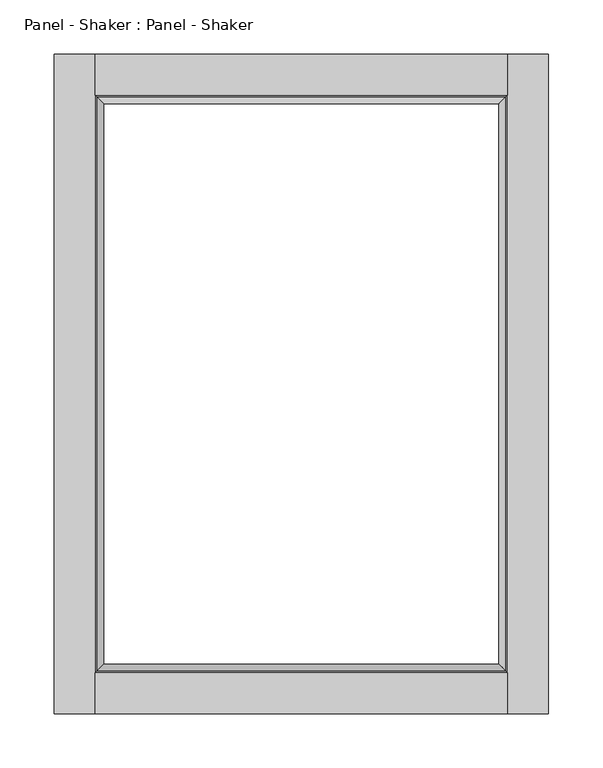
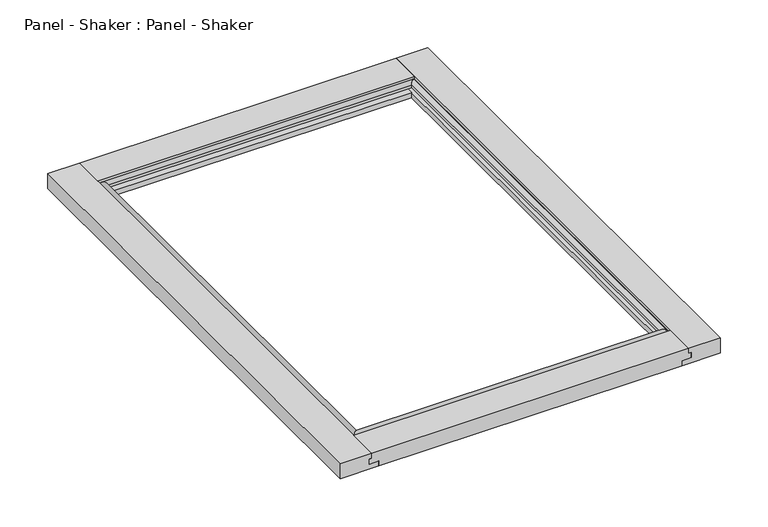
"""IFC4 building model written with IfcOpenShell, lengths in millimetres: furniture geometry, Panel - Shaker : Panel - Shaker."""

import ifcopenshell
import ifcopenshell.guid

model = None  # the IFC model being written
_history = None  # IfcOwnerHistory: only IFC2X3 demands one
_inside = {}  # id of a spatial element -> (the spatial element, [elements in it])
_under = {}  # id of a project, library or spatial element -> (it, [spatial elements below it])
_declared = {}  # id of a project -> (the project, [libraries it declares])
_typed = {}  # id of a type object -> (the type object, [elements of that type])
_made_of = {}  # id of a material, layer set ... -> (it, [elements and type objects made of it])


def new_model(schema):
    """Start an empty IFC model of exactly this schema.

    Asked for "IFC4X3", IfcOpenShell would pick the latest addendum, in which some entities
    have other attributes; the version numbers below select the first issue.
    IFC2X3 requires an IfcOwnerHistory on every rooted entity: one is made here for all.
    """
    global model, _history
    if schema == "IFC4X3":
        model = ifcopenshell.file(schema_version=(4, 3, 0, 0))
    else:
        model = ifcopenshell.file(schema=schema)
    _inside.clear()
    _under.clear()
    _declared.clear()
    _typed.clear()
    _made_of.clear()
    _history = None
    if model.schema == "IFC2X3":
        org = make("IfcOrganization", Name="unknown")
        user = make(
            "IfcPersonAndOrganization",
            ThePerson=make("IfcPerson", FamilyName="unknown"),
            TheOrganization=org,
        )
        app = make(
            "IfcApplication",
            ApplicationDeveloper=org,
            Version="unknown",
            ApplicationFullName="unknown",
            ApplicationIdentifier="unknown",
        )
        _history = make(
            "IfcOwnerHistory",
            OwningUser=user,
            OwningApplication=app,
            ChangeAction="ADDED",
            CreationDate=0,
        )
    return model


def make(cls, **values):
    """One entity of the class cls with the attributes given. An attribute that is None is left unset."""
    return model.create_entity(
        cls, **{name: value for name, value in values.items() if value is not None}
    )


def rooted(cls, **values):
    """An entity with a GlobalId (a new one), such as an element, a storey or a relation."""
    return make(cls, GlobalId=ifcopenshell.guid.new(), OwnerHistory=_history, **values)


def si_unit(unit_type, name, prefix=None):
    """IfcSIUnit, for example si_unit("LENGTHUNIT", "METRE", prefix="MILLI")."""
    return make("IfcSIUnit", UnitType=unit_type, Prefix=prefix, Name=name)


def assignment(units):
    """IfcUnitAssignment: the units of a project."""
    return None if units is None else make("IfcUnitAssignment", Units=units)


def point(xyz):
    """IfcCartesianPoint."""
    return None if xyz is None else make("IfcCartesianPoint", Coordinates=xyz)


def direction(xyz):
    """IfcDirection."""
    return None if xyz is None else make("IfcDirection", DirectionRatios=xyz)


def frame(location, z_axis=None, x_axis=None):
    """IfcAxis2Placement3D, a coordinate frame: its origin and axes. An axis left out is left unset."""
    return make(
        "IfcAxis2Placement3D",
        Location=point(location),
        Axis=direction(z_axis),
        RefDirection=direction(x_axis),
    )


def origin():
    """The frame at (0, 0, 0) with its axes left unset."""
    return frame((0.0, 0.0, 0.0))


def place(relative_to, where):
    """IfcLocalPlacement: puts the frame where relative to a parent placement (None: the world)."""
    return make(
        "IfcLocalPlacement", PlacementRelTo=relative_to, RelativePlacement=where
    )


def context(
    kind, dimensions, precision=None, world=None, true_north=None, identifier=None
):
    """IfcGeometricRepresentationContext, for example the 3D "Model" context."""
    return make(
        "IfcGeometricRepresentationContext",
        ContextIdentifier=identifier,
        ContextType=kind,
        CoordinateSpaceDimension=dimensions,
        Precision=precision,
        WorldCoordinateSystem=world,
        TrueNorth=true_north,
    )


def project(units=None, contexts=None):
    """IfcProject with its units and contexts."""
    return rooted(
        "IfcProject",
        Name="project",
        RepresentationContexts=contexts,
        UnitsInContext=assignment(units),
    )


def spatial(cls, under=None, at=None, **own):
    """A site, building, storey or space (cls), placed at a placement, below another one or the project."""
    s = rooted(cls, ObjectPlacement=at, **own)
    if under is not None:
        _under.setdefault(under.id(), (under, []))[1].append(s)
    return s


def polyline(points):
    """IfcPolyline through the points."""
    return make("IfcPolyline", Points=[point(p) for p in points])


def ellipse_curve(where, semi_axis1, semi_axis2):
    """IfcEllipse in the frame where."""
    return make(
        "IfcEllipse", Position=where, SemiAxis1=semi_axis1, SemiAxis2=semi_axis2
    )


def outline(outer, holes=None, kind="AREA"):
    """IfcArbitraryClosedProfileDef: a profile drawn as a closed curve; with holes, ...WithVoids."""
    if holes is None:
        return make("IfcArbitraryClosedProfileDef", ProfileType=kind, OuterCurve=outer)
    return make(
        "IfcArbitraryProfileDefWithVoids",
        ProfileType=kind,
        OuterCurve=outer,
        InnerCurves=holes,
    )


def extrude(swept, where, along, depth):
    """IfcExtrudedAreaSolid: the profile swept, set in the frame where, extruded along a direction by depth."""
    return make(
        "IfcExtrudedAreaSolid",
        SweptArea=swept,
        Position=where,
        ExtrudedDirection=direction(along),
        Depth=depth,
    )


def faces_of(points, faces, orient=None, outer=None):
    """IfcFace entities. A face is a list of loops; a loop is a list of indices into points, from 0.

    orient and outer hold one flag for each loop. By default every Orientation is true, the
    first loop of a face is its IfcFaceOuterBound and the others are IfcFaceBound.
    """
    made = []
    for i, loops in enumerate(faces):
        bounds = []
        for j, loop in enumerate(loops):
            is_outer = j == 0 if outer is None else outer[i][j]
            bounds.append(
                make(
                    "IfcFaceOuterBound" if is_outer else "IfcFaceBound",
                    Bound=make("IfcPolyLoop", Polygon=[points[k] for k in loop]),
                    Orientation=True if orient is None else orient[i][j],
                )
            )
        made.append(make("IfcFace", Bounds=bounds))
    return made


def faceted_brep(points, faces, orient=None, outer=None, voids=None):
    """IfcFacetedBrep: a solid bounded by flat faces; with voids (closed shells), ...WithVoids."""
    shared = [point(p) for p in points]
    hull = make("IfcClosedShell", CfsFaces=faces_of(shared, faces, orient, outer))
    if voids is None:
        return make("IfcFacetedBrep", Outer=hull)
    return make(
        "IfcFacetedBrepWithVoids",
        Outer=hull,
        Voids=[
            make(cls, CfsFaces=faces_of(shared, fs, o, b)) for cls, fs, o, b in voids
        ],
    )


def shape(context_of_items, identifier, shape_type, items):
    """IfcShapeRepresentation: the items that make up one representation, for example the "Body"."""
    return make(
        "IfcShapeRepresentation",
        ContextOfItems=context_of_items,
        RepresentationIdentifier=identifier,
        RepresentationType=shape_type,
        Items=items,
    )


def source(mapping_origin, context_of_items, identifier, shape_type, items):
    """IfcRepresentationMap: a shape defined once, which mapped items show again and again."""
    return make(
        "IfcRepresentationMap",
        MappingOrigin=mapping_origin,
        MappedRepresentation=shape(context_of_items, identifier, shape_type, items),
    )


def transform(
    local_origin,
    x_axis=None,
    y_axis=None,
    z_axis=None,
    scale=None,
    scale2=None,
    scale3=None,
    uniform=True,
):
    """IfcCartesianTransformationOperator3D, or its non-uniform kind. x_axis, y_axis, z_axis: its Axis1, 2, 3."""
    if uniform:
        return make(
            "IfcCartesianTransformationOperator3D",
            Axis1=direction(x_axis),
            Axis2=direction(y_axis),
            LocalOrigin=point(local_origin),
            Scale=scale,
            Axis3=direction(z_axis),
        )
    return make(
        "IfcCartesianTransformationOperator3DnonUniform",
        Axis1=direction(x_axis),
        Axis2=direction(y_axis),
        LocalOrigin=point(local_origin),
        Scale=scale,
        Axis3=direction(z_axis),
        Scale2=scale2,
        Scale3=scale3,
    )


def mapped(mapping_source, mapping_target):
    """IfcMappedItem: shows the shape of a source again, moved by a transform."""
    return make(
        "IfcMappedItem", MappingSource=mapping_source, MappingTarget=mapping_target
    )


def made_of(thing, what):
    """Note that an element or type object is made of a material, layer set ...; save() writes the relation."""
    if what is not None:
        _made_of.setdefault(what.id(), (what, []))[1].append(thing)
    return thing


def element(
    cls,
    number,
    at=None,
    inside=None,
    cuts=None,
    type_object=None,
    material=None,
    context=None,
    identifier="Body",
    shape_type=None,
    held_by="IfcProductDefinitionShape",
    body=None,
    shapes=None,
    **own,
):
    """One element of the class cls, such as IfcWall. Its Tag is "e" and its number.

    at: its placement. inside: the storey or other place that contains it. cuts: it is an
    opening in that element (IfcRelVoidsElement). A single representation is given by context,
    identifier, shape_type and body (its items); several are given by shapes. held_by: the class
    of the entity that holds the representations. save() writes the other relations.
    """
    e = rooted(cls, Tag="e%d" % number, ObjectPlacement=at, **own)
    if body is not None:
        shapes = [shape(context, identifier, shape_type, body)]
    if shapes is not None:
        e.Representation = make(held_by, Representations=shapes)
    if inside is not None:
        _inside.setdefault(inside.id(), (inside, []))[1].append(e)
    if cuts is not None:
        rooted(
            "IfcRelVoidsElement", RelatingBuildingElement=cuts, RelatedOpeningElement=e
        )
    if type_object is not None:
        _typed.setdefault(type_object.id(), (type_object, []))[1].append(e)
    return made_of(e, material)


def aggregate(whole, parts):
    """IfcRelAggregates: a whole, such as a stair, and the parts it consists of."""
    return rooted("IfcRelAggregates", RelatingObject=whole, RelatedObjects=parts)


def save(model, path):
    """Write the relations noted so far, then the file.

    IfcRelAggregates (storeys below a building ...), IfcRelContainedInSpatialStructure (elements
    in a storey), IfcRelDefinesByType, IfcRelAssociatesMaterial and IfcRelDeclares: one each for
    every whole, place, type object, material and project.
    """
    for whole, parts in _under.values():
        aggregate(whole, parts)
    for where, things in _inside.values():
        rooted(
            "IfcRelContainedInSpatialStructure",
            RelatedElements=things,
            RelatingStructure=where,
        )
    for kind, things in _typed.values():
        rooted("IfcRelDefinesByType", RelatedObjects=things, RelatingType=kind)
    for what, things in _made_of.values():
        rooted("IfcRelAssociatesMaterial", RelatedObjects=things, RelatingMaterial=what)
    for by, libraries in _declared.values():
        rooted("IfcRelDeclares", RelatingContext=by, RelatedDefinitions=libraries)
    model.write(path)


def plane_surface(at):
    """IfcPlane: the flat surface through the origin of the frame at, square to its z axis."""
    return make("IfcPlane", Position=at)


def cylinder_surface(at, radius):
    """IfcCylindricalSurface: all points at the distance radius from the z axis of the frame at."""
    return make("IfcCylindricalSurface", Position=at, Radius=radius)


def advanced_brep(points, edges, surfaces, faces):
    """IfcAdvancedBrep: a solid bounded by faces that lie on surfaces and meet in shared edges.

    An edge is (start, end): straight between two places in points (the first is 0);
    or (start, end, curve); or (start, end, curve, False) where it runs against its curve.
    A face is (place in surfaces, loops), or (place, loops, False) where it looks against
    its surface's normal. A loop lists edges by number (the first is 1), with a minus sign
    where the edge is run from its end to its start. The first loop is the outer one.
    """
    corners = [point(p) for p in points]
    vertices = [make("IfcVertexPoint", VertexGeometry=c) for c in corners]
    made = []
    for start, end, *more in edges:
        made.append(
            make(
                "IfcEdgeCurve",
                EdgeStart=vertices[start],
                EdgeEnd=vertices[end],
                EdgeGeometry=more[0] if more else make("IfcPolyline", Points=[corners[start], corners[end]]),
                SameSense=more[1] if len(more) > 1 else True,
            )
        )
    hull = []
    for where, loops, *sense in faces:
        bounds = []
        for j, loop in enumerate(loops):
            ring = [make("IfcOrientedEdge", EdgeElement=made[abs(k) - 1], Orientation=k > 0) for k in loop]
            bounds.append(
                make(
                    "IfcFaceOuterBound" if j == 0 else "IfcFaceBound",
                    Bound=make("IfcEdgeLoop", EdgeList=ring),
                    Orientation=True,
                )
            )
        hull.append(make("IfcAdvancedFace", Bounds=bounds, FaceSurface=surfaces[where], SameSense=sense[0] if sense else True))
    return make("IfcAdvancedBrep", Outer=make("IfcClosedShell", CfsFaces=hull))


def panel_shaker_panel_shaker_10c5d4a5(model_context):
    return source(origin(), model_context, "Body", "SolidModel", [
        advanced_brep(
        [(-182.5625, -258.7625, 15.875), (182.5625, -258.7625, 15.875), (182.5625, -258.7625, 12.7), (-182.5625, -258.7625, 12.7), (190.5, -266.7, 12.7), (-190.5, -266.7, 12.7), (190.5, -266.7, 15.875), (-190.5, -266.7, 15.875), (188.9125, -265.1125, 15.875), (-188.9125, -265.1125, 15.875), (-185.7375, -261.9375, 19.05), (185.7375, -261.9375, 19.05)],
        [
            (0, 1),
            (1, 2),
            (2, 3),
            (3, 0),
            (4, 5),
            (5, 3),
            (2, 4),
            (4, 6),
            (6, 7),
            (7, 5),
            (6, 8),
            (8, 9),
            (9, 7),
            (0, 10, ellipse_curve(frame((-185.7375, -261.9375, 15.875), z_axis=(0.7071067811865438, -0.7071067811865513, 0.0), x_axis=(-0.7071067811865512, -0.7071067811865438, 0.0)), 4.4901281, 3.175)),
            (10, 9, ellipse_curve(frame((-185.7375, -261.9375, 15.875), z_axis=(0.7071067811865438, -0.7071067811865513, 0.0), x_axis=(-0.7071067811865512, -0.7071067811865438, 0.0)), 4.4901281, 3.175)),
            (8, 11, ellipse_curve(frame((185.7375, -261.9375, 15.875), z_axis=(-0.7071067811865517, -0.7071067811865435, 0.0), x_axis=(-0.7071067811865432, 0.7071067811865518, 0.0)), 4.4901281, 3.175)),
            (11, 1, ellipse_curve(frame((185.7375, -261.9375, 15.875), z_axis=(-0.7071067811865517, -0.7071067811865435, 0.0), x_axis=(-0.7071067811865432, 0.7071067811865518, 0.0)), 4.4901281, 3.175)),
        ],
        [
            plane_surface(frame((-190.5, -258.7625, 15.875), z_axis=(0.0, 1.0, 0.0), x_axis=(1.0, 0.0, 0.0))),
            plane_surface(frame((-190.5, -258.7625, 12.7), z_axis=(0.0, 0.0, -1.0), x_axis=(1.0, 0.0, 0.0))),
            plane_surface(frame((-190.5, -266.7, 12.7), z_axis=(0.0, -1.0, 0.0), x_axis=(1.0, 0.0, 0.0))),
            plane_surface(frame((-190.5, -266.7, 15.875), z_axis=(0.0, 0.0, 1.0), x_axis=(1.0, 0.0, 0.0))),
            cylinder_surface(frame((190.5, -261.9375, 15.875), z_axis=(-1.0, 0.0, 0.0), x_axis=(0.0, -1.0, 0.0)), 3.175),
            plane_surface(frame((182.5625, -258.7625, 19.05), z_axis=(0.7071067811865517, 0.7071067811865435, 0.0), x_axis=(0.0, 0.0, -1.0))),
            plane_surface(frame((-190.5, -266.7, 19.05), z_axis=(-0.7071067811865438, 0.7071067811865513, 0.0), x_axis=(0.0, 0.0, -1.0))),
        ],
        [
            (0, [[1, 2, 3, 4]]),
            (1, [[5, 6, -3, 7]]),
            (2, [[-5, 8, 9, 10]]),
            (3, [[-9, 11, 12, 13]]),
            (4, [[-1, 14, 15, -12, 16, 17]]),
            (5, [[-2, -17, -16, -11, -8, -7]]),
            (6, [[-4, -6, -10, -13, -15, -14]]),
        ],
    ),
        advanced_brep(
        [(-182.5625, 258.7625, 15.875), (-182.5625, -258.7625, 15.875), (-182.5625, -258.7625, 12.7), (-182.5625, 258.7625, 12.7), (-190.5, -266.7, 12.7), (-190.5, 266.7, 12.7), (-190.5, -266.7, 15.875), (-190.5, 266.7, 15.875), (-188.9125, -265.1125, 15.875), (-188.9125, 265.1125, 15.875), (-185.7375, 261.9375, 19.05), (-185.7375, -261.9375, 19.05)],
        [
            (0, 1),
            (1, 2),
            (2, 3),
            (3, 0),
            (4, 5),
            (5, 3),
            (2, 4),
            (4, 6),
            (6, 7),
            (7, 5),
            (6, 8),
            (8, 9),
            (9, 7),
            (0, 10, ellipse_curve(frame((-185.7375, 261.9375, 15.875), z_axis=(-0.70710678118655, -0.707106781186545, 0.0), x_axis=(-0.707106781186545, 0.70710678118655, 0.0)), 4.4901281, 3.175)),
            (10, 9, ellipse_curve(frame((-185.7375, 261.9375, 15.875), z_axis=(-0.70710678118655, -0.707106781186545, 0.0), x_axis=(-0.707106781186545, 0.70710678118655, 0.0)), 4.4901281, 3.175)),
            (8, 11, ellipse_curve(frame((-185.7375, -261.9375, 15.875), z_axis=(-0.7071067811865446, 0.7071067811865506, 0.0), x_axis=(0.7071067811865507, 0.7071067811865444, 0.0)), 4.4901281, 3.175)),
            (11, 1, ellipse_curve(frame((-185.7375, -261.9375, 15.875), z_axis=(-0.7071067811865446, 0.7071067811865506, 0.0), x_axis=(0.7071067811865507, 0.7071067811865444, 0.0)), 4.4901281, 3.175)),
        ],
        [
            plane_surface(frame((-182.5625, 266.7, 15.875), z_axis=(1.0, 0.0, 0.0), x_axis=(0.0, -1.0, 0.0))),
            plane_surface(frame((-182.5625, 266.7, 12.7), z_axis=(0.0, 0.0, -1.0), x_axis=(0.0, -1.0, 0.0))),
            plane_surface(frame((-190.5, 266.7, 12.7), z_axis=(-1.0, 0.0, 0.0), x_axis=(0.0, -1.0, 0.0))),
            plane_surface(frame((-190.5, 266.7, 15.875), z_axis=(0.0, 0.0, 1.0), x_axis=(0.0, -1.0, 0.0))),
            cylinder_surface(frame((-185.7375, -266.7, 15.875), z_axis=(0.0, 1.0, 0.0), x_axis=(-1.0, 0.0, 0.0)), 3.175),
            plane_surface(frame((-182.5625, -258.7625, 19.05), z_axis=(0.7071067811865446, -0.7071067811865506, 0.0), x_axis=(0.0, 0.0, -1.0))),
            plane_surface(frame((-190.5, 266.7, 19.05), z_axis=(0.70710678118655, 0.707106781186545, 0.0), x_axis=(0.0, 0.0, -1.0))),
        ],
        [
            (0, [[1, 2, 3, 4]]),
            (1, [[5, 6, -3, 7]]),
            (2, [[-5, 8, 9, 10]]),
            (3, [[-9, 11, 12, 13]]),
            (4, [[-1, 14, 15, -12, 16, 17]]),
            (5, [[-2, -17, -16, -11, -8, -7]]),
            (6, [[-4, -6, -10, -13, -15, -14]]),
        ],
    ),
        advanced_brep(
        [(182.5625, -258.7625, 15.875), (182.5625, 258.7625, 15.875), (182.5625, 258.7625, 12.7), (182.5625, -258.7625, 12.7), (190.5, 266.7, 12.7), (190.5, -266.7, 12.7), (190.5, 266.7, 15.875), (190.5, -266.7, 15.875), (188.9125, 265.1125, 15.875), (188.9125, -265.1125, 15.875), (185.7375, -261.9375, 19.05), (185.7375, 261.9375, 19.05)],
        [
            (0, 1),
            (1, 2),
            (2, 3),
            (3, 0),
            (4, 5),
            (5, 3),
            (2, 4),
            (4, 6),
            (6, 7),
            (7, 5),
            (6, 8),
            (8, 9),
            (9, 7),
            (0, 10, ellipse_curve(frame((185.7375, -261.9375, 15.875), z_axis=(0.7071067811865475, 0.7071067811865476, 0.0), x_axis=(0.7071067811865475, -0.7071067811865475, 0.0)), 4.4901281, 3.175)),
            (10, 9, ellipse_curve(frame((185.7375, -261.9375, 15.875), z_axis=(0.7071067811865475, 0.7071067811865476, 0.0), x_axis=(0.7071067811865475, -0.7071067811865475, 0.0)), 4.4901281, 3.175)),
            (8, 11, ellipse_curve(frame((185.7375, 261.9375, 15.875), z_axis=(0.7071067811865471, -0.707106781186548, 0.0), x_axis=(-0.7071067811865481, -0.707106781186547, 0.0)), 4.4901281, 3.175)),
            (11, 1, ellipse_curve(frame((185.7375, 261.9375, 15.875), z_axis=(0.7071067811865471, -0.707106781186548, 0.0), x_axis=(-0.7071067811865481, -0.707106781186547, 0.0)), 4.4901281, 3.175)),
        ],
        [
            plane_surface(frame((182.5625, -266.7, 15.875), z_axis=(-1.0, 0.0, 0.0), x_axis=(0.0, 1.0, 0.0))),
            plane_surface(frame((182.5625, -266.7, 12.7), z_axis=(0.0, 0.0, -1.0), x_axis=(0.0, 1.0, 0.0))),
            plane_surface(frame((190.5, -266.7, 12.7), z_axis=(1.0, 0.0, 0.0), x_axis=(0.0, 1.0, 0.0))),
            plane_surface(frame((190.5, -266.7, 15.875), z_axis=(0.0, 0.0, 1.0), x_axis=(0.0, 1.0, 0.0))),
            cylinder_surface(frame((185.7375, 266.7, 15.875), z_axis=(0.0, -1.0, 0.0), x_axis=(1.0, 0.0, 0.0)), 3.175),
            plane_surface(frame((182.5625, 258.7625, 19.05), z_axis=(-0.7071067811865471, 0.707106781186548, 0.0), x_axis=(0.0, 0.0, -1.0))),
            plane_surface(frame((190.5, -266.7, 19.05), z_axis=(-0.7071067811865475, -0.7071067811865476, 0.0), x_axis=(0.0, 0.0, -1.0))),
        ],
        [
            (0, [[1, 2, 3, 4]]),
            (1, [[5, 6, -3, 7]]),
            (2, [[-5, 8, 9, 10]]),
            (3, [[-9, 11, 12, 13]]),
            (4, [[-1, 14, 15, -12, 16, 17]]),
            (5, [[-2, -17, -16, -11, -8, -7]]),
            (6, [[-4, -6, -10, -13, -15, -14]]),
        ],
    ),
        advanced_brep(
        [(182.5625, 258.7625, 15.875), (-182.5625, 258.7625, 15.875), (-182.5625, 258.7625, 12.7), (182.5625, 258.7625, 12.7), (-190.5, 266.7, 12.7), (190.5, 266.7, 12.7), (-190.5, 266.7, 15.875), (190.5, 266.7, 15.875), (-188.9125, 265.1125, 15.875), (188.9125, 265.1125, 15.875), (185.7375, 261.9375, 19.05), (-185.7375, 261.9375, 19.05)],
        [
            (0, 1),
            (1, 2),
            (2, 3),
            (3, 0),
            (4, 5),
            (5, 3),
            (2, 4),
            (4, 6),
            (6, 7),
            (7, 5),
            (6, 8),
            (8, 9),
            (9, 7),
            (0, 10, ellipse_curve(frame((185.7375, 261.9375, 15.875), z_axis=(-0.7071067811865464, 0.7071067811865488, 0.0), x_axis=(0.7071067811865486, 0.7071067811865464, 0.0)), 4.4901281, 3.175)),
            (10, 9, ellipse_curve(frame((185.7375, 261.9375, 15.875), z_axis=(-0.7071067811865464, 0.7071067811865488, 0.0), x_axis=(0.7071067811865486, 0.7071067811865464, 0.0)), 4.4901281, 3.175)),
            (8, 11, ellipse_curve(frame((-185.7375, 261.9375, 15.875), z_axis=(0.7071067811865491, 0.707106781186546, 0.0), x_axis=(0.7071067811865459, -0.7071067811865491, 0.0)), 4.4901281, 3.175)),
            (11, 1, ellipse_curve(frame((-185.7375, 261.9375, 15.875), z_axis=(0.7071067811865491, 0.707106781186546, 0.0), x_axis=(0.7071067811865459, -0.7071067811865491, 0.0)), 4.4901281, 3.175)),
        ],
        [
            plane_surface(frame((190.5, 258.7625, 15.875), z_axis=(0.0, -1.0, 0.0), x_axis=(-1.0, 0.0, 0.0))),
            plane_surface(frame((190.5, 258.7625, 12.7), z_axis=(0.0, 0.0, -1.0), x_axis=(-1.0, 0.0, 0.0))),
            plane_surface(frame((190.5, 266.7, 12.7), z_axis=(0.0, 1.0, 0.0), x_axis=(-1.0, 0.0, 0.0))),
            plane_surface(frame((190.5, 266.7, 15.875), z_axis=(0.0, 0.0, 1.0), x_axis=(-1.0, 0.0, 0.0))),
            cylinder_surface(frame((-190.5, 261.9375, 15.875), z_axis=(1.0, 0.0, 0.0), x_axis=(0.0, 1.0, 0.0)), 3.175),
            plane_surface(frame((-182.5625, 258.7625, 19.05), z_axis=(-0.7071067811865491, -0.707106781186546, 0.0), x_axis=(0.0, 0.0, -1.0))),
            plane_surface(frame((190.5, 266.7, 19.05), z_axis=(0.7071067811865464, -0.7071067811865488, 0.0), x_axis=(0.0, 0.0, -1.0))),
        ],
        [
            (0, [[1, 2, 3, 4]]),
            (1, [[5, 6, -3, 7]]),
            (2, [[-5, 8, 9, 10]]),
            (3, [[-9, 11, 12, 13]]),
            (4, [[-1, 14, 15, -12, 16, 17]]),
            (5, [[-2, -17, -16, -11, -8, -7]]),
            (6, [[-4, -6, -10, -13, -15, -14]]),
        ],
    ),
        faceted_brep([(-190.5, 266.7, 19.05), (-190.5, 266.7, 12.7), (190.5, 266.7, 12.7), (190.5, 266.7, 19.05), (-190.5, 304.8, 19.05), (190.5, 304.8, 19.05), (-193.675, 304.8, 12.7), (-190.5, 304.8, 12.7), (190.5, 304.8, 12.7), (193.675, 304.8, 12.7), (193.675, 304.8, 6.35), (182.5625, 304.8, 6.35), (182.5625, 304.8, 0.0), (-182.5625, 304.8, 0.0), (-182.5625, 304.8, 6.35), (-193.675, 304.8, 6.35), (-182.5625, 258.7625, 0.0), (182.5625, 258.7625, 0.0), (-182.5625, 258.7625, 6.35), (182.5625, 258.7625, 6.35), (-182.5625, 269.875, 6.35), (182.5625, 269.875, 6.35), (-190.5, 269.875, 12.7), (-193.675, 269.875, 12.7), (-193.675, 269.875, 6.35), (193.675, 269.875, 6.35), (193.675, 269.875, 12.7), (190.5, 269.875, 12.7)], [[[0, 1, 2, 3]], [[4, 0, 3, 5]], [[6, 7, 4, 5, 8, 9, 10, 11, 12, 13, 14, 15]], [[16, 13, 12, 17]], [[18, 16, 17, 19]], [[20, 18, 19, 21]], [[22, 23, 24, 20, 21, 25, 26, 27]], [[1, 22, 27, 2]], [[6, 23, 22, 7]], [[15, 24, 23, 6]], [[24, 15, 14, 20]], [[20, 14, 13, 16, 18]], [[7, 22, 1, 0, 4]], [[27, 8, 5, 3, 2]], [[11, 21, 19, 17, 12]], [[21, 11, 10, 25]], [[25, 10, 9, 26]], [[8, 27, 26, 9]]]),
        faceted_brep([(-190.5, -269.875, 12.7), (-190.5, -266.7, 12.7), (190.5, -266.7, 12.7), (190.5, -269.875, 12.7), (-193.675, -269.875, 12.7), (193.675, -269.875, 12.7), (193.675, -269.875, 6.35), (182.5625, -269.875, 6.35), (-182.5625, -269.875, 6.35), (-193.675, -269.875, 6.35), (-182.5625, -258.7625, 6.35), (182.5625, -258.7625, 6.35), (-182.5625, -258.7625, 0.0), (182.5625, -258.7625, 0.0), (-182.5625, -304.8, 0.0), (182.5625, -304.8, 0.0), (-190.5, -304.8, 12.7), (-193.675, -304.8, 12.7), (-193.675, -304.8, 6.35), (-182.5625, -304.8, 6.35), (182.5625, -304.8, 6.35), (193.675, -304.8, 6.35), (193.675, -304.8, 12.7), (190.5, -304.8, 12.7), (190.5, -304.8, 19.05), (-190.5, -304.8, 19.05), (-190.5, -266.7, 19.05), (190.5, -266.7, 19.05)], [[[0, 1, 2, 3]], [[4, 0, 3, 5, 6, 7, 8, 9]], [[10, 8, 7, 11]], [[12, 10, 11, 13]], [[14, 12, 13, 15]], [[16, 17, 18, 19, 14, 15, 20, 21, 22, 23, 24, 25]], [[26, 25, 24, 27]], [[1, 26, 27, 2]], [[4, 17, 16, 0]], [[17, 4, 9, 18]], [[18, 9, 8, 19]], [[19, 8, 10, 12, 14]], [[0, 16, 25, 26, 1]], [[23, 3, 2, 27, 24]], [[7, 20, 15, 13, 11]], [[20, 7, 6, 21]], [[5, 22, 21, 6]], [[3, 23, 22, 5]]]),
        extrude(outline(polyline([(12.7, 190.5), (12.7, 193.675), (6.35, 193.675), (6.35, 182.5625), (0.0, 182.5625), (0.0, 228.6), (19.05, 228.6), (19.05, 190.5), (12.7, 190.5)])), frame((0.0, -304.8, 0.0), z_axis=(0.0, 1.0, 0.0), x_axis=(0.0, 0.0, 1.0)), (0.0, 0.0, 1.0), 609.6),
        extrude(outline(polyline([(12.7, -190.5), (19.05, -190.5), (19.05, -228.6), (0.0, -228.6), (0.0, -182.5625), (6.35, -182.5625), (6.35, -193.675), (12.7, -193.675), (12.7, -190.5)])), frame((0.0, -304.8, 0.0), z_axis=(0.0, 1.0, 0.0), x_axis=(0.0, 0.0, 1.0)), (0.0, 0.0, 1.0), 609.6),
    ])


if __name__ == "__main__":
    model = new_model("IFC4")
    model_context = context("Model", 3, world=origin())
    ifc_project = project(units=[si_unit("LENGTHUNIT", "METRE", prefix="MILLI")], contexts=[model_context])
    site = spatial("IfcSite", under=ifc_project)
    building = spatial("IfcBuilding", under=site)
    placement = place(None, origin())
    panel_shaker_panel_shaker_shape = panel_shaker_panel_shaker_10c5d4a5(model_context)
    element("IfcFurniture", 1, ObjectType="Panel - Shaker : Panel - Shaker", at=placement, inside=building, context=model_context, shape_type="MappedRepresentation", body=[
        mapped(panel_shaker_panel_shaker_shape, transform((0.0, 0.0, 0.0), x_axis=(1.0, 0.0, 0.0), y_axis=(0.0, 1.0, 0.0), z_axis=(0.0, 0.0, 1.0))),
    ])
    save(model, "model.ifc")
